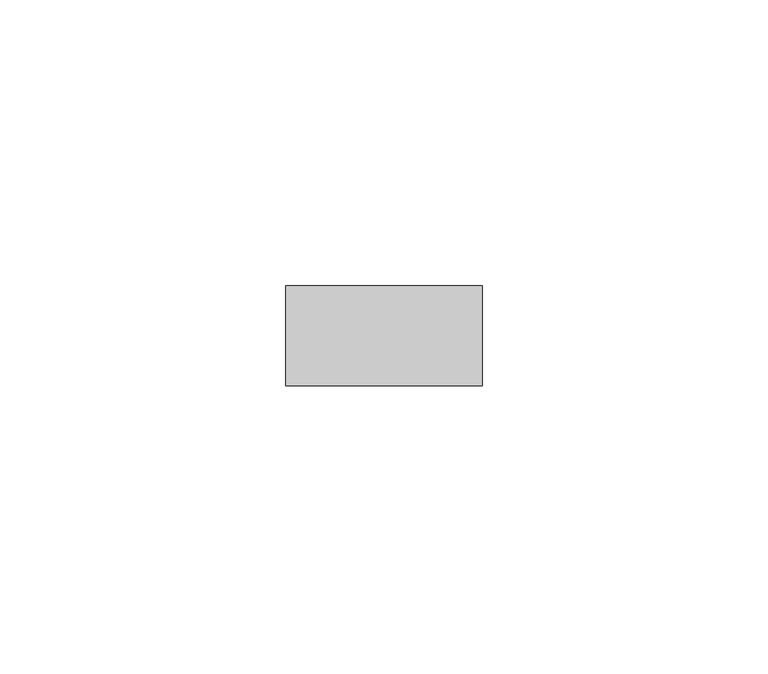
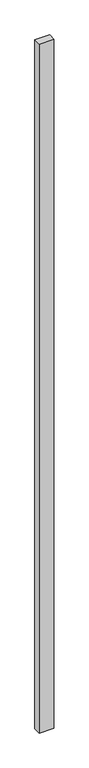
"""IFC4 building model written with IfcOpenShell, lengths in millimetres: plate geometry."""

from ifc_helpers import new_model, si_unit, origin, origin_with_axes, place, context, project, spatial, polyline, outline, extrude, source, transform, mapped, element, save


def plate_11a27ce4(model_context):
    return source(origin(), model_context, "Body", "SweptSolid", [
        extrude(outline(polyline([(17.1340206, -8.73125), (-17.1340206, -8.73125), (-17.1340206, 8.73125), (17.1340206, 8.73125), (17.1340206, -8.73125)])), origin_with_axes(), (0.0, 0.0, 1.0), 1708.8912252),
    ])


if __name__ == "__main__":
    model = new_model("IFC4")
    model_context = context("Model", 3, world=origin())
    ifc_project = project(units=[si_unit("LENGTHUNIT", "METRE", prefix="MILLI")], contexts=[model_context])
    site = spatial("IfcSite", under=ifc_project)
    building = spatial("IfcBuilding", under=site)
    placement = place(None, origin())
    plate_shape = plate_11a27ce4(model_context)
    element("IfcPlate", 1, at=placement, inside=building, context=model_context, shape_type="MappedRepresentation", body=[
        mapped(plate_shape, transform((0.0, 0.0, 0.0), x_axis=(1.0, 0.0, 0.0), y_axis=(0.0, 1.0, 0.0), z_axis=(0.0, 0.0, 1.0))),
    ])
    save(model, "model.ifc")
